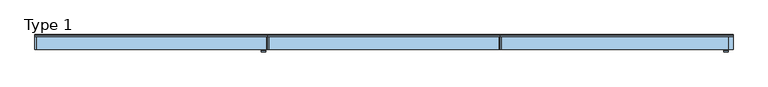
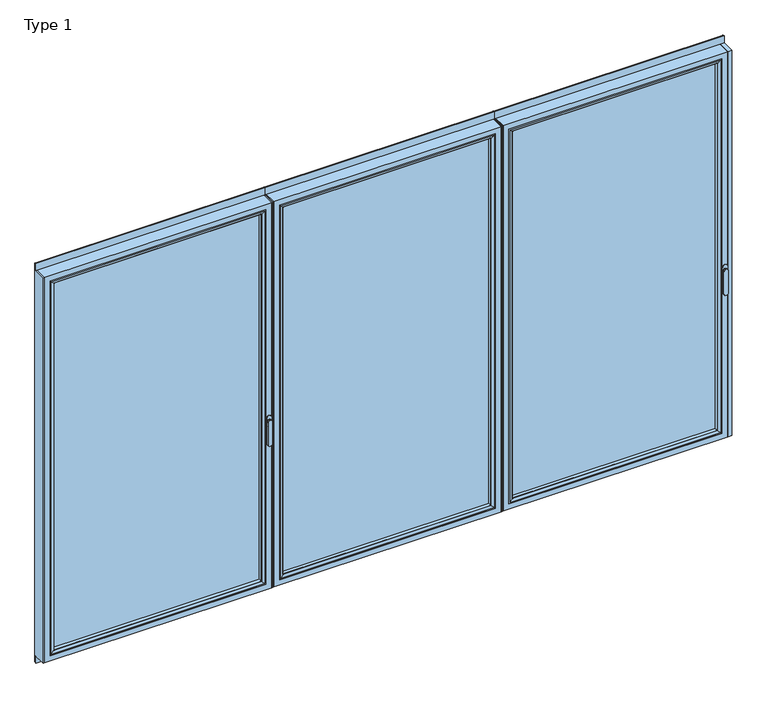
"""IFC4 building model written with IfcOpenShell, lengths in millimetres: window geometry, Type 1."""

from ifc_helpers import new_model, si_unit, point, frame, frame_2d, origin, place, context, project, spatial, polyline, circle_curve, ellipse_curve, trimmed, segment, composite_curve, outline, extrude, source, transform, mapped, element, save
from ifc_brep_helpers import plane_surface, cylinder_surface, extruded_surface, advanced_brep


def type_1_1b7ffbd1(model_context):
    return source(origin(), model_context, "Body", "SolidModel", [
        advanced_brep(
        [(1855.5113692, -63.5, 1050.0), (1879.4886308, -63.5, 1050.0), (1879.4886308, -66.8965533, 1050.0), (1855.5113692, -66.8965533, 1050.0), (1855.5113692, -74.5, 1050.0), (1855.5113692, -74.5, 918.6867153), (1879.4886308, -74.5, 918.6867153), (1879.4886308, -74.5, 1050.0), (1879.4886308, -66.8965533, 918.6867153), (1855.5113692, -66.8965533, 918.6867153)],
        [
            (0, 1, circle_curve(frame((1867.5, -63.5, 1050.0), z_axis=(0.0, 1.0, 0.0), x_axis=(1.0, 0.0, 0.0)), 11.9886308)),
            (1, 0, circle_curve(frame((1867.5, -63.5, 1050.0), z_axis=(0.0, 1.0, 0.0), x_axis=(1.0, 0.0, 0.0)), 11.9886308)),
            (1, 2),
            (2, 3, circle_curve(frame((1867.5, -66.8965533, 1050.0), z_axis=(0.0, 1.0, 0.0), x_axis=(1.0, 0.0, 0.0)), 11.9886308)),
            (3, 0),
            (3, 2, circle_curve(frame((1867.5, -66.8965533, 1050.0), z_axis=(0.0, 1.0, 0.0), x_axis=(1.0, 0.0, 0.0)), 11.9886308)),
            (4, 5),
            (5, 6, ellipse_curve(frame((1867.5, -74.5, 918.6867153), z_axis=(0.0, -1.0, 0.0), x_axis=(-1.0, 0.0, 0.0)), 11.9886308, 7.9050795)),
            (6, 7),
            (7, 4, circle_curve(frame((1867.5, -74.5, 1050.0), z_axis=(0.0, -1.0, 0.0), x_axis=(1.0, 0.0, 0.0)), 11.9886308)),
            (2, 8),
            (8, 9, ellipse_curve(frame((1867.5, -66.8965533, 918.6867153), z_axis=(0.0, 1.0, 0.0), x_axis=(-1.0, 0.0, 0.0)), 11.9886308, 7.9050795)),
            (9, 3),
            (4, 3),
            (9, 5),
            (8, 6),
            (2, 7),
        ],
        [
            plane_surface(frame((1879.4886308, -63.5, 1050.0), z_axis=(0.0, 1.0, 0.0), x_axis=(0.0, 0.0, -1.0))),
            cylinder_surface(frame((1867.5, -63.5, 1050.0), z_axis=(0.0, -1.0, 0.0), x_axis=(1.0, 0.0, 0.0)), 11.9886308),
            plane_surface(frame((1855.5113692, -74.5, 928.3382074), z_axis=(0.0, -1.0, 0.0), x_axis=(0.0, 0.0, -1.0))),
            plane_surface(frame((1855.5113692, -66.8965533, 928.3382074), z_axis=(0.0, 1.0, 0.0), x_axis=(0.0, 0.0, 1.0))),
            plane_surface(frame((1855.5113692, -74.5, 1050.0), z_axis=(-1.0, 0.0, 0.0), x_axis=(0.0, 1.0, 0.0))),
            extruded_surface(trimmed(ellipse_curve(frame((1867.5, -59.2931066, 918.6867153), z_axis=(0.0, -1.0, 0.0), x_axis=(-1.0, 0.0, 0.0)), 11.9886308, 7.9050795), [point((1855.5113692, -59.2931066, 918.6867153))], [point((1879.4886308, -59.2931066, 918.6867153))], True, "CARTESIAN"), (0.0, -7.603446699999992, 0.0), 7.603446699999992),
            plane_surface(frame((1879.4886308, -74.5, 918.6867153), z_axis=(1.0, 0.0, 0.0), x_axis=(0.0, 1.0, 0.0))),
            cylinder_surface(frame((1867.5, -66.8965533, 1050.0), z_axis=(0.0, -1.0, 0.0), x_axis=(1.0, 0.0, 0.0)), 11.9886308),
        ],
        [
            (0, [[1, 2]]),
            (1, [[-2, 3, 4, 5]]),
            (1, [[-1, -5, 6, -3]]),
            (2, [[7, 8, 9, 10]]),
            (3, [[11, 12, 13, -4]]),
            (4, [[-7, 14, -13, 15]]),
            (5, [[-8, -15, -12, 16]]),
            (6, [[-9, -16, -11, 17]]),
            (7, [[-10, -17, -6, -14]]),
        ],
    ),
        extrude(outline(composite_curve([segment(polyline([(1068.75, 1853.5), (1031.25, 1853.5)]), True, "CONTINUOUS"), segment(trimmed(circle_curve(frame_2d((1031.25, 1867.5)), 14.0), [point((1031.25, 1853.5))], [point((1031.25, 1881.5))], False, "CARTESIAN"), True, "CONTINUOUS"), segment(polyline([(1031.25, 1881.5), (1068.75, 1881.5)]), True, "CONTINUOUS"), segment(trimmed(circle_curve(frame_2d((1068.75, 1867.5)), 14.0), [point((1068.75, 1881.5))], [point((1068.75, 1853.5))], False, "CARTESIAN"), True, "CONTINUOUS")], self_intersect=False)), frame((0.0, -63.5, 0.0), z_axis=(0.0, 1.0, 0.0), x_axis=(0.0, 0.0, 1.0)), (0.0, 0.0, 1.0), 3.5),
        extrude(outline(polyline([(635.3333333, 20.0), (641.3333333, 20.0), (641.3333333, -60.0), (635.3333333, -60.0), (635.3333333, 20.0)])), frame((0.0, 0.0, 66.0), z_axis=(0.0, 0.0, 1.0), x_axis=(1.0, 0.0, 0.0)), (0.0, 0.0, 1.0), 2258.0),
        extrude(outline(polyline([(1906.0, 20.0), (1906.0, -60.0), (1883.5, -60.0), (1883.5, 20.0), (1906.0, 20.0)])), frame((0.0, 0.0, 66.0), z_axis=(0.0, 0.0, 1.0), x_axis=(1.0, 0.0, 0.0)), (0.0, 0.0, 1.0), 2258.0),
        advanced_brep(
        [(641.3333333, -60.0, 2324.0), (641.3333333, 20.0, 2324.0), (641.3333333, 20.0, 66.0), (641.3333333, -60.0, 66.0), (1883.5, 20.0, 66.0), (1883.5, -60.0, 66.0), (1883.5, 20.0, 2324.0), (1838.0003707, 20.0, 111.4996293), (1838.0003707, 20.0, 2278.5003707), (686.8329626, 20.0, 2278.5003707), (686.8329626, 20.0, 111.4996293), (1883.5, -60.0, 2324.0), (673.3333333, -60.0, 98.0), (673.3333333, -60.0, 2292.0), (1851.5, -60.0, 2292.0), (1851.5, -60.0, 98.0), (673.3333333, 3.9999997, 2292.0), (673.3333333, 3.9999997, 98.0), (1851.5, 3.9999997, 98.0), (1851.5, 3.9999997, 2292.0), (691.3333453, 3.9999997, 116.000012), (691.3333453, 3.9999997, 2273.999988), (1833.499988, 3.9999997, 2273.999988), (1833.499988, 3.9999997, 116.000012), (691.3333453, 15.4995565, 2273.999988), (691.3333453, 15.4995565, 116.000012), (1833.499988, 15.4995565, 116.000012), (1833.499988, 15.4995565, 2273.999988)],
        [
            (0, 1),
            (1, 2),
            (2, 3),
            (3, 0),
            (2, 4),
            (4, 5),
            (5, 3),
            (1, 6),
            (6, 4),
            (7, 8),
            (8, 9),
            (9, 10),
            (10, 7),
            (6, 11),
            (11, 5),
            (11, 0),
            (12, 13),
            (13, 14),
            (14, 15),
            (15, 12),
            (16, 13),
            (12, 17),
            (17, 16),
            (15, 18),
            (18, 17),
            (14, 19),
            (19, 18),
            (19, 16),
            (20, 21),
            (21, 22),
            (22, 23),
            (23, 20),
            (24, 21),
            (20, 25),
            (25, 24),
            (23, 26),
            (26, 25),
            (22, 27),
            (27, 26),
            (10, 25, ellipse_curve(frame((686.8329626, 15.4995565, 111.4996293), z_axis=(0.7071067811865475, 0.0, -0.7071067811865475), x_axis=(-0.7071067811865476, 0.0, -0.7071067811865474)), 6.3645023, 4.5003827)),
            (26, 7, ellipse_curve(frame((1838.0003707, 15.4995565, 111.4996293), z_axis=(-0.7071067811865475, 0.0, -0.7071067811865475), x_axis=(-0.7071067811865476, 0.0, 0.7071067811865474)), 6.3645023, 4.5003827)),
            (9, 24, ellipse_curve(frame((686.8329626, 15.4995565, 2278.5003707), z_axis=(-0.7071067811865475, 0.0, -0.7071067811865475), x_axis=(-0.7071067811865474, 0.0, 0.7071067811865476)), 6.3645023, 4.5003827)),
            (27, 8, ellipse_curve(frame((1838.0003707, 15.4995565, 2278.5003707), z_axis=(0.7071067811865475, 0.0, -0.7071067811865475), x_axis=(-0.7071067811865474, 0.0, -0.7071067811865476)), 6.3645023, 4.5003827)),
            (24, 27),
        ],
        [
            plane_surface(frame((641.3333333, 20.0, 2324.0), z_axis=(-1.0, 0.0, 0.0), x_axis=(0.0, 0.0, -1.0))),
            plane_surface(frame((641.3333333, 20.0, 66.0), z_axis=(0.0, 0.0, -1.0), x_axis=(1.0, 0.0, 0.0))),
            plane_surface(frame((686.8329626, 20.0, 2278.5003707), z_axis=(0.0, 1.0, 0.0), x_axis=(0.0, 0.0, -1.0))),
            plane_surface(frame((1883.5, 20.0, 66.0), z_axis=(1.0, 0.0, 0.0), x_axis=(0.0, 0.0, 1.0))),
            plane_surface(frame((641.3333333, -60.0, 2324.0), z_axis=(0.0, -1.0, 0.0), x_axis=(0.0, 0.0, -1.0))),
            plane_surface(frame((673.3333333, -60.0, 2292.0), z_axis=(1.0, 0.0, 0.0), x_axis=(0.0, 0.0, -1.0))),
            plane_surface(frame((673.3333333, -60.0, 98.0), z_axis=(0.0, 0.0, 1.0), x_axis=(1.0, 0.0, 0.0))),
            plane_surface(frame((1851.5, -60.0, 98.0), z_axis=(-1.0, 0.0, 0.0), x_axis=(0.0, 0.0, 1.0))),
            plane_surface(frame((673.3333333, 3.9999997, 2292.0), z_axis=(0.0, -1.0, 0.0), x_axis=(0.0, 0.0, -1.0))),
            plane_surface(frame((691.3333453, 3.9999997, 2273.999988), z_axis=(1.0, 0.0, 0.0), x_axis=(0.0, 0.0, -1.0))),
            plane_surface(frame((691.3333453, 3.9999997, 116.000012), z_axis=(0.0, 0.0, 1.0), x_axis=(1.0, 0.0, 0.0))),
            plane_surface(frame((1833.499988, 3.9999997, 116.000012), z_axis=(-1.0, 0.0, 0.0), x_axis=(0.0, 0.0, 1.0))),
            cylinder_surface(frame((635.3333333, 15.4995565, 111.4996293), z_axis=(-1.0, 0.0, 0.0), x_axis=(0.0, -1.0, 0.0)), 4.5003827),
            cylinder_surface(frame((686.8329626, 15.4995565, 2330.0), z_axis=(0.0, 0.0, 1.0), x_axis=(0.0, -1.0, 0.0)), 4.5003827),
            cylinder_surface(frame((1838.0003707, 15.4995565, 60.0), z_axis=(0.0, 0.0, -1.0), x_axis=(0.0, -1.0, 0.0)), 4.5003827),
            plane_surface(frame((1883.5, 20.0, 2324.0), z_axis=(0.0, 0.0, 1.0), x_axis=(-1.0, 0.0, 0.0))),
            plane_surface(frame((1851.5, -60.0, 2292.0), z_axis=(0.0, 0.0, -1.0), x_axis=(-1.0, 0.0, 0.0))),
            plane_surface(frame((1833.499988, 3.9999997, 2273.999988), z_axis=(0.0, 0.0, -1.0), x_axis=(-1.0, 0.0, 0.0))),
            cylinder_surface(frame((1889.5, 15.4995565, 2278.5003707), z_axis=(1.0, 0.0, 0.0), x_axis=(0.0, -1.0, 0.0)), 4.5003827),
        ],
        [
            (0, [[1, 2, 3, 4]]),
            (1, [[-3, 5, 6, 7]]),
            (2, [[-2, 8, 9, -5], [10, 11, 12, 13]]),
            (3, [[-6, -9, 14, 15]]),
            (4, [[-15, 16, -4, -7], [17, 18, 19, 20]]),
            (5, [[21, -17, 22, 23]]),
            (6, [[-22, -20, 24, 25]]),
            (7, [[-24, -19, 26, 27]]),
            (8, [[-27, 28, -23, -25], [29, 30, 31, 32]]),
            (9, [[33, -29, 34, 35]]),
            (10, [[-34, -32, 36, 37]]),
            (11, [[-36, -31, 38, 39]]),
            (12, [[40, -37, 41, -13]]),
            (13, [[42, -35, -40, -12]]),
            (14, [[-41, -39, 43, -10]]),
            (15, [[-14, -8, -1, -16]]),
            (16, [[-26, -18, -21, -28]]),
            (17, [[-38, -30, -33, 44]]),
            (18, [[-43, -44, -42, -11]]),
        ],
    ),
        extrude(outline(polyline([(673.3336505, 3.9999997), (1851.4996828, 3.9999997), (1851.4996828, -34.0000003), (673.3336505, -34.0000003), (673.3336505, 3.9999997)])), frame((0.0, 0.0, 98.0003172), z_axis=(0.0, 0.0, 1.0), x_axis=(1.0, 0.0, 0.0)), (0.0, 0.0, 1.0), 2193.9993657),
        advanced_brep(
        [(1829.5001101, -54.5552044, 2270.0001101), (1829.5001101, -34.0000003, 2270.0001101), (1829.5001101, -34.0000003, 119.9998899), (1829.5001101, -54.5552044, 119.9998899), (1851.4996828, -34.0000003, 2291.9996828), (1851.4996828, -34.0000003, 98.0003172), (673.3336505, -34.0000003, 98.0003172), (673.3336505, -34.0000003, 2291.9996828), (695.3332232, -34.0000003, 2270.0001101), (695.3332232, -34.0000003, 119.9998899), (695.3332232, -54.5552044, 119.9998899), (1830.2096535, -55.8045072, 2270.7096535), (1830.2096535, -55.8045072, 119.2903465), (694.6236798, -55.8045072, 119.2903465), (1845.4997439, -60.0, 2285.9997439), (1845.4997439, -60.0, 104.0002561), (679.3335894, -60.0, 104.0002561), (673.3336505, -60.0, 2291.9996828), (673.3336505, -60.0, 98.0003172), (1851.4996828, -60.0, 98.0003172), (1851.4996828, -60.0, 2291.9996828), (679.3335894, -60.0, 2285.9997439), (695.3332232, -54.5552044, 2270.0001101), (694.6236798, -55.8045072, 2270.7096535)],
        [
            (0, 1),
            (1, 2),
            (2, 3),
            (3, 0),
            (4, 5),
            (5, 6),
            (6, 7),
            (7, 4),
            (8, 9),
            (9, 2),
            (1, 8),
            (9, 10),
            (10, 3),
            (11, 0, ellipse_curve(frame((1830.9547141, -54.5552044, 2271.4547141), z_axis=(0.7071067811865475, 0.0, -0.7071067811865475), x_axis=(0.7071067811865474, 0.0, 0.7071067811865476)), 2.0571207, 1.454604)),
            (3, 12, ellipse_curve(frame((1830.9547141, -54.5552044, 118.5452859), z_axis=(0.7071067811865475, 0.0, 0.7071067811865475), x_axis=(-0.7071067811865474, 0.0, 0.7071067811865476)), 2.0571207, 1.454604)),
            (12, 11),
            (10, 13, ellipse_curve(frame((693.8786193, -54.5552044, 118.5452859), z_axis=(0.7071067811865475, 0.0, -0.7071067811865475), x_axis=(0.7071067811865476, 0.0, 0.7071067811865474)), 2.0571207, 1.454604)),
            (13, 12),
            (14, 11, ellipse_curve(frame((1845.4358083, -30.2735922, 2285.9358083), z_axis=(0.7071067811865475, 0.0, -0.7071067811865475), x_axis=(0.7071067811865474, 0.0, 0.7071067811865476)), 42.0395863, 29.7264765)),
            (12, 15, ellipse_curve(frame((1845.4358083, -30.2735922, 104.0641917), z_axis=(0.7071067811865475, 0.0, 0.7071067811865475), x_axis=(-0.7071067811865474, 0.0, 0.7071067811865476)), 42.0395863, 29.7264765)),
            (15, 14),
            (13, 16, ellipse_curve(frame((679.397525, -30.2735922, 104.0641917), z_axis=(0.7071067811865475, 0.0, -0.7071067811865475), x_axis=(0.7071067811865476, 0.0, 0.7071067811865474)), 42.0395863, 29.7264765)),
            (16, 15),
            (17, 18),
            (18, 19),
            (19, 20),
            (20, 17),
            (16, 21),
            (21, 14),
            (4, 20),
            (19, 5),
            (18, 6),
            (8, 22),
            (22, 10),
            (22, 23, ellipse_curve(frame((693.8786193, -54.5552044, 2271.4547141), z_axis=(-0.7071067811865475, 0.0, -0.7071067811865475), x_axis=(0.7071067811865474, 0.0, -0.7071067811865476)), 2.0571207, 1.454604)),
            (23, 13),
            (23, 21, ellipse_curve(frame((679.397525, -30.2735922, 2285.9358083), z_axis=(-0.7071067811865475, 0.0, -0.7071067811865475), x_axis=(0.7071067811865474, 0.0, -0.7071067811865476)), 42.0395863, 29.7264765)),
            (17, 7),
            (0, 22),
            (11, 23),
        ],
        [
            plane_surface(frame((1829.5001101, -34.0000003, 2270.0001101), z_axis=(-1.0, 0.0, 0.0), x_axis=(0.0, 0.0, -1.0))),
            plane_surface(frame((673.3336505, -34.0000003, 98.0003172), z_axis=(0.0, 1.0, 0.0), x_axis=(0.0, 0.0, 1.0))),
            plane_surface(frame((1829.5001101, -34.0000003, 119.9998899), z_axis=(0.0, 0.0, 1.0), x_axis=(-1.0, 0.0, 0.0))),
            cylinder_surface(frame((1830.9547141, -54.5552044, 2273.999988), z_axis=(0.0, 0.0, 1.0), x_axis=(1.0, 0.0, 0.0)), 1.454604),
            cylinder_surface(frame((1833.499988, -54.5552044, 118.5452859), z_axis=(1.0, 0.0, 0.0), x_axis=(0.0, 0.0, -1.0)), 1.454604),
            cylinder_surface(frame((1845.4358083, -30.2735922, 2273.999988), z_axis=(0.0, 0.0, 1.0), x_axis=(1.0, 0.0, 0.0)), 29.7264765),
            cylinder_surface(frame((1833.499988, -30.2735922, 104.0641917), z_axis=(1.0, 0.0, 0.0), x_axis=(0.0, 0.0, -1.0)), 29.7264765),
            plane_surface(frame((679.3335894, -60.0, 104.0002561), z_axis=(0.0, -1.0, 0.0), x_axis=(0.0, 0.0, 1.0))),
            plane_surface(frame((1851.4996828, -60.0, 2291.9996828), z_axis=(1.0, 0.0, 0.0), x_axis=(0.0, 0.0, -1.0))),
            plane_surface(frame((1851.4996828, -60.0, 98.0003172), z_axis=(0.0, 0.0, -1.0), x_axis=(-1.0, 0.0, 0.0))),
            plane_surface(frame((695.3332232, -34.0000003, 119.9998899), z_axis=(1.0, 0.0, 0.0), x_axis=(0.0, 0.0, 1.0))),
            cylinder_surface(frame((693.8786193, -54.5552044, 116.000012), z_axis=(0.0, 0.0, -1.0), x_axis=(-1.0, 0.0, 0.0)), 1.454604),
            cylinder_surface(frame((679.397525, -30.2735922, 116.000012), z_axis=(0.0, 0.0, -1.0), x_axis=(-1.0, 0.0, 0.0)), 29.7264765),
            plane_surface(frame((673.3336505, -60.0, 98.0003172), z_axis=(-1.0, 0.0, 0.0), x_axis=(0.0, 0.0, 1.0))),
            plane_surface(frame((695.3332232, -34.0000003, 2270.0001101), z_axis=(0.0, 0.0, -1.0), x_axis=(1.0, 0.0, 0.0))),
            cylinder_surface(frame((691.3333453, -54.5552044, 2271.4547141), z_axis=(-1.0, 0.0, 0.0), x_axis=(0.0, 0.0, 1.0)), 1.454604),
            cylinder_surface(frame((691.3333453, -30.2735922, 2285.9358083), z_axis=(-1.0, 0.0, 0.0), x_axis=(0.0, 0.0, 1.0)), 29.7264765),
            plane_surface(frame((673.3336505, -60.0, 2291.9996828), z_axis=(0.0, 0.0, 1.0), x_axis=(1.0, 0.0, 0.0))),
        ],
        [
            (0, [[1, 2, 3, 4]]),
            (1, [[5, 6, 7, 8], [9, 10, -2, 11]]),
            (2, [[-3, -10, 12, 13]]),
            (3, [[14, -4, 15, 16]]),
            (4, [[-15, -13, 17, 18]]),
            (5, [[19, -16, 20, 21]]),
            (6, [[-20, -18, 22, 23]]),
            (7, [[24, 25, 26, 27], [-21, -23, 28, 29]]),
            (8, [[30, -26, 31, -5]]),
            (9, [[-31, -25, 32, -6]]),
            (10, [[-12, -9, 33, 34]]),
            (11, [[-17, -34, 35, 36]]),
            (12, [[-22, -36, 37, -28]]),
            (13, [[-32, -24, 38, -7]]),
            (14, [[-33, -11, -1, 39]]),
            (15, [[-35, -39, -14, 40]]),
            (16, [[-37, -40, -19, -29]]),
            (17, [[-38, -27, -30, -8]]),
        ],
    ),
        extrude(outline(composite_curve([segment(polyline([(20.0, 2362.5), (20.0, 2324.0), (10.0, 2324.0), (10.0, 2365.0), (17.5, 2365.0)]), True, "CONTINUOUS"), segment(trimmed(circle_curve(frame_2d((17.5, 2362.5)), 2.5), [point((17.5, 2365.0))], [point((20.0, 2362.5))], False, "CARTESIAN"), True, "CONTINUOUS")], self_intersect=False)), frame((635.3333333, 0.0, 0.0), z_axis=(1.0, 0.0, 0.0), x_axis=(0.0, 1.0, 0.0)), (0.0, 0.0, 1.0), 1270.6666667),
        extrude(outline(composite_curve([segment(trimmed(circle_curve(frame_2d((17.5, 27.5)), 2.5), [point((20.0, 27.5))], [point((17.5, 25.0))], False, "CARTESIAN"), True, "CONTINUOUS"), segment(polyline([(17.5, 25.0), (10.0, 25.0), (10.0, 66.0), (20.0, 66.0), (20.0, 27.5)]), True, "CONTINUOUS")], self_intersect=False)), frame((635.3333333, 0.0, 0.0), z_axis=(1.0, 0.0, 0.0), x_axis=(0.0, 1.0, 0.0)), (0.0, 0.0, 1.0), 1270.6666667),
        extrude(outline(polyline([(635.3333333, 20.0), (635.3333333, -60.0), (629.3333333, -60.0), (629.3333333, 20.0), (635.3333333, 20.0)])), frame((0.0, 0.0, 66.0), z_axis=(0.0, 0.0, 1.0), x_axis=(1.0, 0.0, 0.0)), (0.0, 0.0, 1.0), 2258.0),
        extrude(outline(polyline([(-635.3333333, 20.0), (-629.3333333, 20.0), (-629.3333333, -60.0), (-635.3333333, -60.0), (-635.3333333, 20.0)])), frame((0.0, 0.0, 66.0), z_axis=(0.0, 0.0, 1.0), x_axis=(1.0, 0.0, 0.0)), (0.0, 0.0, 1.0), 2258.0),
        advanced_brep(
        [(629.3333333, -60.0, 2324.0), (629.3333333, -60.0, 66.0), (629.3333333, 20.0, 66.0), (629.3333333, 20.0, 2324.0), (-629.3333333, -60.0, 66.0), (-629.3333333, 20.0, 66.0), (-629.3333333, 20.0, 2324.0), (-583.8337041, 20.0, 111.4996293), (583.8337041, 20.0, 111.4996293), (583.8337041, 20.0, 2278.5003707), (-583.8337041, 20.0, 2278.5003707), (-629.3333333, -60.0, 2324.0), (597.3333333, -60.0, 98.0), (-597.3333333, -60.0, 98.0), (-597.3333333, -60.0, 2292.0), (597.3333333, -60.0, 2292.0), (597.3333333, 3.9999997, 2292.0), (597.3333333, 3.9999997, 98.0), (-597.3333333, 3.9999997, 98.0), (-597.3333333, 3.9999997, 2292.0), (579.3333214, 3.9999997, 116.000012), (-579.3333214, 3.9999997, 116.000012), (-579.3333214, 3.9999997, 2273.999988), (579.3333214, 3.9999997, 2273.999988), (579.3333214, 15.4995565, 2273.999988), (579.3333214, 15.4995565, 116.000012), (-579.3333214, 15.4995565, 116.000012), (-579.3333214, 15.4995565, 2273.999988)],
        [
            (0, 1),
            (1, 2),
            (2, 3),
            (3, 0),
            (1, 4),
            (4, 5),
            (5, 2),
            (5, 6),
            (6, 3),
            (7, 8),
            (8, 9),
            (9, 10),
            (10, 7),
            (4, 11),
            (11, 6),
            (0, 11),
            (12, 13),
            (13, 14),
            (14, 15),
            (15, 12),
            (16, 17),
            (17, 12),
            (15, 16),
            (17, 18),
            (18, 13),
            (18, 19),
            (19, 14),
            (16, 19),
            (20, 21),
            (21, 22),
            (22, 23),
            (23, 20),
            (24, 25),
            (25, 20),
            (23, 24),
            (25, 26),
            (26, 21),
            (26, 27),
            (27, 22),
            (7, 26, ellipse_curve(frame((-583.8337041, 15.4995565, 111.4996293), z_axis=(0.7071067811865475, 0.0, -0.7071067811865475), x_axis=(0.7071067811865476, 0.0, 0.7071067811865474)), 6.3645023, 4.5003827)),
            (25, 8, ellipse_curve(frame((583.8337041, 15.4995565, 111.4996293), z_axis=(-0.7071067811865475, 0.0, -0.7071067811865475), x_axis=(0.7071067811865476, 0.0, -0.7071067811865474)), 6.3645023, 4.5003827)),
            (24, 9, ellipse_curve(frame((583.8337041, 15.4995565, 2278.5003707), z_axis=(0.7071067811865475, 0.0, -0.7071067811865475), x_axis=(0.7071067811865474, 0.0, 0.7071067811865476)), 6.3645023, 4.5003827)),
            (10, 27, ellipse_curve(frame((-583.8337041, 15.4995565, 2278.5003707), z_axis=(-0.7071067811865475, 0.0, -0.7071067811865475), x_axis=(0.7071067811865474, 0.0, -0.7071067811865476)), 6.3645023, 4.5003827)),
            (27, 24),
        ],
        [
            plane_surface(frame((629.3333333, 20.0, 2324.0), z_axis=(1.0, 0.0, 0.0), x_axis=(0.0, 0.0, -1.0))),
            plane_surface(frame((629.3333333, 20.0, 66.0), z_axis=(0.0, 0.0, -1.0), x_axis=(-1.0, 0.0, 0.0))),
            plane_surface(frame((583.8337041, 20.0, 2278.5003707), z_axis=(0.0, 1.0, 0.0), x_axis=(0.0, 0.0, -1.0))),
            plane_surface(frame((-629.3333333, 20.0, 66.0), z_axis=(-1.0, 0.0, 0.0), x_axis=(0.0, 0.0, 1.0))),
            plane_surface(frame((629.3333333, -60.0, 2324.0), z_axis=(0.0, -1.0, 0.0), x_axis=(0.0, 0.0, -1.0))),
            plane_surface(frame((597.3333333, -60.0, 2292.0), z_axis=(-1.0, 0.0, 0.0), x_axis=(0.0, 0.0, -1.0))),
            plane_surface(frame((597.3333333, -60.0, 98.0), z_axis=(0.0, 0.0, 1.0), x_axis=(-1.0, 0.0, 0.0))),
            plane_surface(frame((-597.3333333, -60.0, 98.0), z_axis=(1.0, 0.0, 0.0), x_axis=(0.0, 0.0, 1.0))),
            plane_surface(frame((597.3333333, 3.9999997, 2292.0), z_axis=(0.0, -1.0, 0.0), x_axis=(0.0, 0.0, -1.0))),
            plane_surface(frame((579.3333214, 3.9999997, 2273.999988), z_axis=(-1.0, 0.0, 0.0), x_axis=(0.0, 0.0, -1.0))),
            plane_surface(frame((579.3333214, 3.9999997, 116.000012), z_axis=(0.0, 0.0, 1.0), x_axis=(-1.0, 0.0, 0.0))),
            plane_surface(frame((-579.3333214, 3.9999997, 116.000012), z_axis=(1.0, 0.0, 0.0), x_axis=(0.0, 0.0, 1.0))),
            cylinder_surface(frame((635.3333333, 15.4995565, 111.4996293), z_axis=(1.0, 0.0, 0.0), x_axis=(0.0, -1.0, 0.0)), 4.5003827),
            cylinder_surface(frame((583.8337041, 15.4995565, 2330.0), z_axis=(0.0, 0.0, 1.0), x_axis=(0.0, -1.0, 0.0)), 4.5003827),
            cylinder_surface(frame((-583.8337041, 15.4995565, 60.0), z_axis=(0.0, 0.0, -1.0), x_axis=(0.0, -1.0, 0.0)), 4.5003827),
            plane_surface(frame((-629.3333333, 20.0, 2324.0), z_axis=(0.0, 0.0, 1.0), x_axis=(1.0, 0.0, 0.0))),
            plane_surface(frame((-597.3333333, -60.0, 2292.0), z_axis=(0.0, 0.0, -1.0), x_axis=(1.0, 0.0, 0.0))),
            plane_surface(frame((-579.3333214, 3.9999997, 2273.999988), z_axis=(0.0, 0.0, -1.0), x_axis=(1.0, 0.0, 0.0))),
            cylinder_surface(frame((-635.3333333, 15.4995565, 2278.5003707), z_axis=(-1.0, 0.0, 0.0), x_axis=(0.0, -1.0, 0.0)), 4.5003827),
        ],
        [
            (0, [[1, 2, 3, 4]]),
            (1, [[5, 6, 7, -2]]),
            (2, [[-7, 8, 9, -3], [10, 11, 12, 13]]),
            (3, [[14, 15, -8, -6]]),
            (4, [[-5, -1, 16, -14], [17, 18, 19, 20]]),
            (5, [[21, 22, -20, 23]]),
            (6, [[24, 25, -17, -22]]),
            (7, [[26, 27, -18, -25]]),
            (8, [[-24, -21, 28, -26], [29, 30, 31, 32]]),
            (9, [[33, 34, -32, 35]]),
            (10, [[36, 37, -29, -34]]),
            (11, [[38, 39, -30, -37]]),
            (12, [[-10, 40, -36, 41]]),
            (13, [[-11, -41, -33, 42]]),
            (14, [[-13, 43, -38, -40]]),
            (15, [[-16, -4, -9, -15]]),
            (16, [[-28, -23, -19, -27]]),
            (17, [[44, -35, -31, -39]]),
            (18, [[-12, -42, -44, -43]]),
        ],
    ),
        extrude(outline(polyline([(597.3330162, 3.9999997), (597.3330162, -34.0000003), (-597.3330162, -34.0000003), (-597.3330162, 3.9999997), (597.3330162, 3.9999997)])), frame((0.0, 0.0, 98.0003172), z_axis=(0.0, 0.0, 1.0), x_axis=(1.0, 0.0, 0.0)), (0.0, 0.0, 1.0), 2193.9993657),
        advanced_brep(
        [(-575.3334434, -54.5552044, 2270.0001101), (-575.3334434, -54.5552044, 119.9998899), (-575.3334434, -34.0000003, 119.9998899), (-575.3334434, -34.0000003, 2270.0001101), (-597.3330162, -34.0000003, 2291.9996828), (597.3330162, -34.0000003, 2291.9996828), (597.3330162, -34.0000003, 98.0003172), (-597.3330162, -34.0000003, 98.0003172), (575.3334434, -34.0000003, 2270.0001101), (575.3334434, -34.0000003, 119.9998899), (575.3334434, -54.5552044, 119.9998899), (-576.0429868, -55.8045072, 2270.7096535), (-576.0429868, -55.8045072, 119.2903465), (576.0429868, -55.8045072, 119.2903465), (-591.3330772, -60.0, 2285.9997439), (-591.3330772, -60.0, 104.0002561), (591.3330772, -60.0, 104.0002561), (597.3330162, -60.0, 2291.9996828), (-597.3330162, -60.0, 2291.9996828), (-597.3330162, -60.0, 98.0003172), (597.3330162, -60.0, 98.0003172), (591.3330772, -60.0, 2285.9997439), (575.3334434, -54.5552044, 2270.0001101), (576.0429868, -55.8045072, 2270.7096535)],
        [
            (0, 1),
            (1, 2),
            (2, 3),
            (3, 0),
            (4, 5),
            (5, 6),
            (6, 7),
            (7, 4),
            (8, 3),
            (2, 9),
            (9, 8),
            (1, 10),
            (10, 9),
            (11, 12),
            (12, 1, ellipse_curve(frame((-576.7880474, -54.5552044, 118.5452859), z_axis=(-0.7071067811865475, 0.0, 0.7071067811865475), x_axis=(0.7071067811865474, 0.0, 0.7071067811865476)), 2.0571207, 1.454604)),
            (0, 11, ellipse_curve(frame((-576.7880474, -54.5552044, 2271.4547141), z_axis=(-0.7071067811865475, 0.0, -0.7071067811865475), x_axis=(-0.7071067811865474, 0.0, 0.7071067811865476)), 2.0571207, 1.454604)),
            (12, 13),
            (13, 10, ellipse_curve(frame((576.7880474, -54.5552044, 118.5452859), z_axis=(-0.7071067811865475, 0.0, -0.7071067811865475), x_axis=(-0.7071067811865476, 0.0, 0.7071067811865474)), 2.0571207, 1.454604)),
            (14, 15),
            (15, 12, ellipse_curve(frame((-591.2691416, -30.2735922, 104.0641917), z_axis=(-0.7071067811865475, 0.0, 0.7071067811865475), x_axis=(0.7071067811865474, 0.0, 0.7071067811865476)), 42.0395863, 29.7264765)),
            (11, 14, ellipse_curve(frame((-591.2691416, -30.2735922, 2285.9358083), z_axis=(-0.7071067811865475, 0.0, -0.7071067811865475), x_axis=(-0.7071067811865474, 0.0, 0.7071067811865476)), 42.0395863, 29.7264765)),
            (15, 16),
            (16, 13, ellipse_curve(frame((591.2691416, -30.2735922, 104.0641917), z_axis=(-0.7071067811865475, 0.0, -0.7071067811865475), x_axis=(-0.7071067811865476, 0.0, 0.7071067811865474)), 42.0395863, 29.7264765)),
            (17, 18),
            (18, 19),
            (19, 20),
            (20, 17),
            (14, 21),
            (21, 16),
            (7, 19),
            (18, 4),
            (6, 20),
            (10, 22),
            (22, 8),
            (13, 23),
            (23, 22, ellipse_curve(frame((576.7880474, -54.5552044, 2271.4547141), z_axis=(0.7071067811865475, 0.0, -0.7071067811865475), x_axis=(-0.7071067811865474, 0.0, -0.7071067811865476)), 2.0571207, 1.454604)),
            (21, 23, ellipse_curve(frame((591.2691416, -30.2735922, 2285.9358083), z_axis=(0.7071067811865475, 0.0, -0.7071067811865475), x_axis=(-0.7071067811865474, 0.0, -0.7071067811865476)), 42.0395863, 29.7264765)),
            (5, 17),
            (22, 0),
            (23, 11),
        ],
        [
            plane_surface(frame((-575.3334434, -34.0000003, 2270.0001101), z_axis=(1.0, 0.0, 0.0), x_axis=(0.0, 0.0, -1.0))),
            plane_surface(frame((597.3330162, -34.0000003, 98.0003172), z_axis=(0.0, 1.0, 0.0), x_axis=(0.0, 0.0, 1.0))),
            plane_surface(frame((-575.3334434, -34.0000003, 119.9998899), z_axis=(0.0, 0.0, 1.0), x_axis=(1.0, 0.0, 0.0))),
            cylinder_surface(frame((-576.7880474, -54.5552044, 2273.999988), z_axis=(0.0, 0.0, 1.0), x_axis=(-1.0, 0.0, 0.0)), 1.454604),
            cylinder_surface(frame((-579.3333214, -54.5552044, 118.5452859), z_axis=(-1.0, 0.0, 0.0), x_axis=(0.0, 0.0, -1.0)), 1.454604),
            cylinder_surface(frame((-591.2691416, -30.2735922, 2273.999988), z_axis=(0.0, 0.0, 1.0), x_axis=(-1.0, 0.0, 0.0)), 29.7264765),
            cylinder_surface(frame((-579.3333214, -30.2735922, 104.0641917), z_axis=(-1.0, 0.0, 0.0), x_axis=(0.0, 0.0, -1.0)), 29.7264765),
            plane_surface(frame((591.3330772, -60.0, 104.0002561), z_axis=(0.0, -1.0, 0.0), x_axis=(0.0, 0.0, 1.0))),
            plane_surface(frame((-597.3330162, -60.0, 2291.9996828), z_axis=(-1.0, 0.0, 0.0), x_axis=(0.0, 0.0, -1.0))),
            plane_surface(frame((-597.3330162, -60.0, 98.0003172), z_axis=(0.0, 0.0, -1.0), x_axis=(1.0, 0.0, 0.0))),
            plane_surface(frame((575.3334434, -34.0000003, 119.9998899), z_axis=(-1.0, 0.0, 0.0), x_axis=(0.0, 0.0, 1.0))),
            cylinder_surface(frame((576.7880474, -54.5552044, 116.000012), z_axis=(0.0, 0.0, -1.0), x_axis=(1.0, 0.0, 0.0)), 1.454604),
            cylinder_surface(frame((591.2691416, -30.2735922, 116.000012), z_axis=(0.0, 0.0, -1.0), x_axis=(1.0, 0.0, 0.0)), 29.7264765),
            plane_surface(frame((597.3330162, -60.0, 98.0003172), z_axis=(1.0, 0.0, 0.0), x_axis=(0.0, 0.0, 1.0))),
            plane_surface(frame((575.3334434, -34.0000003, 2270.0001101), z_axis=(0.0, 0.0, -1.0), x_axis=(-1.0, 0.0, 0.0))),
            cylinder_surface(frame((579.3333214, -54.5552044, 2271.4547141), z_axis=(1.0, 0.0, 0.0), x_axis=(0.0, 0.0, 1.0)), 1.454604),
            cylinder_surface(frame((579.3333214, -30.2735922, 2285.9358083), z_axis=(1.0, 0.0, 0.0), x_axis=(0.0, 0.0, 1.0)), 29.7264765),
            plane_surface(frame((597.3330162, -60.0, 2291.9996828), z_axis=(0.0, 0.0, 1.0), x_axis=(-1.0, 0.0, 0.0))),
        ],
        [
            (0, [[1, 2, 3, 4]]),
            (1, [[5, 6, 7, 8], [9, -3, 10, 11]]),
            (2, [[12, 13, -10, -2]]),
            (3, [[14, 15, -1, 16]]),
            (4, [[17, 18, -12, -15]]),
            (5, [[19, 20, -14, 21]]),
            (6, [[22, 23, -17, -20]]),
            (7, [[24, 25, 26, 27], [28, 29, -22, -19]]),
            (8, [[-8, 30, -25, 31]]),
            (9, [[-7, 32, -26, -30]]),
            (10, [[33, 34, -11, -13]]),
            (11, [[35, 36, -33, -18]]),
            (12, [[-29, 37, -35, -23]]),
            (13, [[-6, 38, -27, -32]]),
            (14, [[39, -4, -9, -34]]),
            (15, [[40, -16, -39, -36]]),
            (16, [[-28, -21, -40, -37]]),
            (17, [[-5, -31, -24, -38]]),
        ],
    ),
        extrude(outline(composite_curve([segment(polyline([(20.0, 2362.5), (20.0, 2324.0), (10.0, 2324.0), (10.0, 2365.0), (17.5, 2365.0)]), True, "CONTINUOUS"), segment(trimmed(circle_curve(frame_2d((17.5, 2362.5)), 2.5), [point((17.5, 2365.0))], [point((20.0, 2362.5))], False, "CARTESIAN"), True, "CONTINUOUS")], self_intersect=False)), frame((-635.3333333, 0.0, 0.0), z_axis=(1.0, 0.0, 0.0), x_axis=(0.0, 1.0, 0.0)), (0.0, 0.0, 1.0), 1270.6666667),
        extrude(outline(composite_curve([segment(trimmed(circle_curve(frame_2d((17.5, 27.5)), 2.5), [point((20.0, 27.5))], [point((17.5, 25.0))], False, "CARTESIAN"), True, "CONTINUOUS"), segment(polyline([(17.5, 25.0), (10.0, 25.0), (10.0, 66.0), (20.0, 66.0), (20.0, 27.5)]), True, "CONTINUOUS")], self_intersect=False)), frame((-635.3333333, 0.0, 0.0), z_axis=(1.0, 0.0, 0.0), x_axis=(0.0, 1.0, 0.0)), (0.0, 0.0, 1.0), 1270.6666667),
        advanced_brep(
        [(-669.3219641, -63.5, 1050.0), (-645.3447025, -63.5, 1050.0), (-645.3447025, -66.8965533, 1050.0), (-669.3219641, -66.8965533, 1050.0), (-669.3219641, -74.5, 1050.0), (-669.3219641, -74.5, 918.6867153), (-645.3447025, -74.5, 918.6867153), (-645.3447025, -74.5, 1050.0), (-645.3447025, -66.8965533, 918.6867153), (-669.3219641, -66.8965533, 918.6867153)],
        [
            (0, 1, circle_curve(frame((-657.3333333, -63.5, 1050.0), z_axis=(0.0, 1.0, 0.0), x_axis=(1.0, 0.0, 0.0)), 11.9886308)),
            (1, 0, circle_curve(frame((-657.3333333, -63.5, 1050.0), z_axis=(0.0, 1.0, 0.0), x_axis=(1.0, 0.0, 0.0)), 11.9886308)),
            (1, 2),
            (2, 3, circle_curve(frame((-657.3333333, -66.8965533, 1050.0), z_axis=(0.0, 1.0, 0.0), x_axis=(1.0, 0.0, 0.0)), 11.9886308)),
            (3, 0),
            (3, 2, circle_curve(frame((-657.3333333, -66.8965533, 1050.0), z_axis=(0.0, 1.0, 0.0), x_axis=(1.0, 0.0, 0.0)), 11.9886308)),
            (4, 5),
            (5, 6, ellipse_curve(frame((-657.3333333, -74.5, 918.6867153), z_axis=(0.0, -1.0, 0.0), x_axis=(-1.0, 0.0, 0.0)), 11.9886308, 7.9050795)),
            (6, 7),
            (7, 4, circle_curve(frame((-657.3333333, -74.5, 1050.0), z_axis=(0.0, -1.0, 0.0), x_axis=(1.0, 0.0, 0.0)), 11.9886308)),
            (2, 8),
            (8, 9, ellipse_curve(frame((-657.3333333, -66.8965533, 918.6867153), z_axis=(0.0, 1.0, 0.0), x_axis=(-1.0, 0.0, 0.0)), 11.9886308, 7.9050795)),
            (9, 3),
            (4, 3),
            (9, 5),
            (8, 6),
            (2, 7),
        ],
        [
            plane_surface(frame((-645.3447025, -63.5, 1050.0), z_axis=(0.0, 1.0, 0.0), x_axis=(0.0, 0.0, -1.0))),
            cylinder_surface(frame((-657.3333333, -63.5, 1050.0), z_axis=(0.0, -1.0, 0.0), x_axis=(1.0, 0.0, 0.0)), 11.9886308),
            plane_surface(frame((-669.3219641, -74.5, 928.3382074), z_axis=(0.0, -1.0, 0.0), x_axis=(0.0, 0.0, -1.0))),
            plane_surface(frame((-669.3219641, -66.8965533, 928.3382074), z_axis=(0.0, 1.0, 0.0), x_axis=(0.0, 0.0, 1.0))),
            plane_surface(frame((-669.3219641, -74.5, 1050.0), z_axis=(-1.0, 0.0, 0.0), x_axis=(0.0, 1.0, 0.0))),
            extruded_surface(trimmed(ellipse_curve(frame((-657.3333333, -59.2931066, 918.6867153), z_axis=(0.0, -1.0, 0.0), x_axis=(-1.0, 0.0, 0.0)), 11.9886308, 7.9050795), [point((-669.3219641, -59.2931066, 918.6867153))], [point((-645.3447025, -59.2931066, 918.6867153))], True, "CARTESIAN"), (0.0, -7.603446699999992, 0.0), 7.603446699999992),
            plane_surface(frame((-645.3447025, -74.5, 918.6867153), z_axis=(1.0, 0.0, 0.0), x_axis=(0.0, 1.0, 0.0))),
            cylinder_surface(frame((-657.3333333, -66.8965533, 1050.0), z_axis=(0.0, -1.0, 0.0), x_axis=(1.0, 0.0, 0.0)), 11.9886308),
        ],
        [
            (0, [[1, 2]]),
            (1, [[-2, 3, 4, 5]]),
            (1, [[-1, -5, 6, -3]]),
            (2, [[7, 8, 9, 10]]),
            (3, [[11, 12, 13, -4]]),
            (4, [[-7, 14, -13, 15]]),
            (5, [[-8, -15, -12, 16]]),
            (6, [[-9, -16, -11, 17]]),
            (7, [[-10, -17, -6, -14]]),
        ],
    ),
        extrude(outline(composite_curve([segment(polyline([(1068.75, -671.3333333), (1031.25, -671.3333333)]), True, "CONTINUOUS"), segment(trimmed(circle_curve(frame_2d((1031.25, -657.3333333)), 14.0), [point((1031.25, -671.3333333))], [point((1031.25, -643.3333333))], False, "CARTESIAN"), True, "CONTINUOUS"), segment(polyline([(1031.25, -643.3333333), (1068.75, -643.3333333)]), True, "CONTINUOUS"), segment(trimmed(circle_curve(frame_2d((1068.75, -657.3333333)), 14.0), [point((1068.75, -643.3333333))], [point((1068.75, -671.3333333))], False, "CARTESIAN"), True, "CONTINUOUS")], self_intersect=False)), frame((0.0, -63.5, 0.0), z_axis=(0.0, 1.0, 0.0), x_axis=(0.0, 0.0, 1.0)), (0.0, 0.0, 1.0), 3.5),
        extrude(outline(polyline([(-1906.0, 20.0), (-1900.0, 20.0), (-1900.0, -60.0), (-1906.0, -60.0), (-1906.0, 20.0)])), frame((0.0, 0.0, 66.0), z_axis=(0.0, 0.0, 1.0), x_axis=(1.0, 0.0, 0.0)), (0.0, 0.0, 1.0), 2258.0),
        extrude(outline(polyline([(-635.3333333, 20.0), (-635.3333333, -60.0), (-641.3333333, -60.0), (-641.3333333, 20.0), (-635.3333333, 20.0)])), frame((0.0, 0.0, 66.0), z_axis=(0.0, 0.0, 1.0), x_axis=(1.0, 0.0, 0.0)), (0.0, 0.0, 1.0), 2258.0),
        advanced_brep(
        [(-1900.0, -60.0, 2324.0), (-1900.0, 20.0, 2324.0), (-1900.0, 20.0, 66.0), (-1900.0, -60.0, 66.0), (-641.3333333, 20.0, 66.0), (-641.3333333, -60.0, 66.0), (-641.3333333, 20.0, 2324.0), (-686.8329626, 20.0, 111.4996293), (-686.8329626, 20.0, 2278.5003707), (-1854.5003707, 20.0, 2278.5003707), (-1854.5003707, 20.0, 111.4996293), (-641.3333333, -60.0, 2324.0), (-1868.0, -60.0, 98.0), (-1868.0, -60.0, 2292.0), (-673.3333333, -60.0, 2292.0), (-673.3333333, -60.0, 98.0), (-1868.0, 3.9999997, 2292.0), (-1868.0, 3.9999997, 98.0), (-673.3333333, 3.9999997, 98.0), (-673.3333333, 3.9999997, 2292.0), (-1849.999988, 3.9999997, 116.000012), (-1849.999988, 3.9999997, 2273.999988), (-691.3333453, 3.9999997, 2273.999988), (-691.3333453, 3.9999997, 116.000012), (-1849.999988, 15.4995565, 2273.999988), (-1849.999988, 15.4995565, 116.000012), (-691.3333453, 15.4995565, 116.000012), (-691.3333453, 15.4995565, 2273.999988)],
        [
            (0, 1),
            (1, 2),
            (2, 3),
            (3, 0),
            (2, 4),
            (4, 5),
            (5, 3),
            (1, 6),
            (6, 4),
            (7, 8),
            (8, 9),
            (9, 10),
            (10, 7),
            (6, 11),
            (11, 5),
            (11, 0),
            (12, 13),
            (13, 14),
            (14, 15),
            (15, 12),
            (16, 13),
            (12, 17),
            (17, 16),
            (15, 18),
            (18, 17),
            (14, 19),
            (19, 18),
            (19, 16),
            (20, 21),
            (21, 22),
            (22, 23),
            (23, 20),
            (24, 21),
            (20, 25),
            (25, 24),
            (23, 26),
            (26, 25),
            (22, 27),
            (27, 26),
            (10, 25, ellipse_curve(frame((-1854.5003707, 15.4995565, 111.4996293), z_axis=(0.7071067811865475, 0.0, -0.7071067811865475), x_axis=(-0.7071067811865476, 0.0, -0.7071067811865474)), 6.3645023, 4.5003827)),
            (26, 7, ellipse_curve(frame((-686.8329626, 15.4995565, 111.4996293), z_axis=(-0.7071067811865475, 0.0, -0.7071067811865475), x_axis=(-0.7071067811865476, 0.0, 0.7071067811865474)), 6.3645023, 4.5003827)),
            (9, 24, ellipse_curve(frame((-1854.5003707, 15.4995565, 2278.5003707), z_axis=(-0.7071067811865475, 0.0, -0.7071067811865475), x_axis=(-0.7071067811865474, 0.0, 0.7071067811865476)), 6.3645023, 4.5003827)),
            (27, 8, ellipse_curve(frame((-686.8329626, 15.4995565, 2278.5003707), z_axis=(0.7071067811865475, 0.0, -0.7071067811865475), x_axis=(-0.7071067811865474, 0.0, -0.7071067811865476)), 6.3645023, 4.5003827)),
            (24, 27),
        ],
        [
            plane_surface(frame((-1900.0, 20.0, 2324.0), z_axis=(-1.0, 0.0, 0.0), x_axis=(0.0, 0.0, -1.0))),
            plane_surface(frame((-1900.0, 20.0, 66.0), z_axis=(0.0, 0.0, -1.0), x_axis=(1.0, 0.0, 0.0))),
            plane_surface(frame((-1854.5003707, 20.0, 2278.5003707), z_axis=(0.0, 1.0, 0.0), x_axis=(0.0, 0.0, -1.0))),
            plane_surface(frame((-641.3333333, 20.0, 66.0), z_axis=(1.0, 0.0, 0.0), x_axis=(0.0, 0.0, 1.0))),
            plane_surface(frame((-1900.0, -60.0, 2324.0), z_axis=(0.0, -1.0, 0.0), x_axis=(0.0, 0.0, -1.0))),
            plane_surface(frame((-1868.0, -60.0, 2292.0), z_axis=(1.0, 0.0, 0.0), x_axis=(0.0, 0.0, -1.0))),
            plane_surface(frame((-1868.0, -60.0, 98.0), z_axis=(0.0, 0.0, 1.0), x_axis=(1.0, 0.0, 0.0))),
            plane_surface(frame((-673.3333333, -60.0, 98.0), z_axis=(-1.0, 0.0, 0.0), x_axis=(0.0, 0.0, 1.0))),
            plane_surface(frame((-1868.0, 3.9999997, 2292.0), z_axis=(0.0, -1.0, 0.0), x_axis=(0.0, 0.0, -1.0))),
            plane_surface(frame((-1849.999988, 3.9999997, 2273.999988), z_axis=(1.0, 0.0, 0.0), x_axis=(0.0, 0.0, -1.0))),
            plane_surface(frame((-1849.999988, 3.9999997, 116.000012), z_axis=(0.0, 0.0, 1.0), x_axis=(1.0, 0.0, 0.0))),
            plane_surface(frame((-691.3333453, 3.9999997, 116.000012), z_axis=(-1.0, 0.0, 0.0), x_axis=(0.0, 0.0, 1.0))),
            cylinder_surface(frame((-1906.0, 15.4995565, 111.4996293), z_axis=(-1.0, 0.0, 0.0), x_axis=(0.0, -1.0, 0.0)), 4.5003827),
            cylinder_surface(frame((-1854.5003707, 15.4995565, 2330.0), z_axis=(0.0, 0.0, 1.0), x_axis=(0.0, -1.0, 0.0)), 4.5003827),
            cylinder_surface(frame((-686.8329626, 15.4995565, 60.0), z_axis=(0.0, 0.0, -1.0), x_axis=(0.0, -1.0, 0.0)), 4.5003827),
            plane_surface(frame((-641.3333333, 20.0, 2324.0), z_axis=(0.0, 0.0, 1.0), x_axis=(-1.0, 0.0, 0.0))),
            plane_surface(frame((-673.3333333, -60.0, 2292.0), z_axis=(0.0, 0.0, -1.0), x_axis=(-1.0, 0.0, 0.0))),
            plane_surface(frame((-691.3333453, 3.9999997, 2273.999988), z_axis=(0.0, 0.0, -1.0), x_axis=(-1.0, 0.0, 0.0))),
            cylinder_surface(frame((-635.3333333, 15.4995565, 2278.5003707), z_axis=(1.0, 0.0, 0.0), x_axis=(0.0, -1.0, 0.0)), 4.5003827),
        ],
        [
            (0, [[1, 2, 3, 4]]),
            (1, [[-3, 5, 6, 7]]),
            (2, [[-2, 8, 9, -5], [10, 11, 12, 13]]),
            (3, [[-6, -9, 14, 15]]),
            (4, [[-15, 16, -4, -7], [17, 18, 19, 20]]),
            (5, [[21, -17, 22, 23]]),
            (6, [[-22, -20, 24, 25]]),
            (7, [[-24, -19, 26, 27]]),
            (8, [[-27, 28, -23, -25], [29, 30, 31, 32]]),
            (9, [[33, -29, 34, 35]]),
            (10, [[-34, -32, 36, 37]]),
            (11, [[-36, -31, 38, 39]]),
            (12, [[40, -37, 41, -13]]),
            (13, [[42, -35, -40, -12]]),
            (14, [[-41, -39, 43, -10]]),
            (15, [[-14, -8, -1, -16]]),
            (16, [[-26, -18, -21, -28]]),
            (17, [[-38, -30, -33, 44]]),
            (18, [[-43, -44, -42, -11]]),
        ],
    ),
        extrude(outline(polyline([(-1867.9996828, 3.9999997), (-673.3336505, 3.9999997), (-673.3336505, -34.0000003), (-1867.9996828, -34.0000003), (-1867.9996828, 3.9999997)])), frame((0.0, 0.0, 98.0003172), z_axis=(0.0, 0.0, 1.0), x_axis=(1.0, 0.0, 0.0)), (0.0, 0.0, 1.0), 2193.9993657),
        advanced_brep(
        [(-695.3332232, -54.5552044, 2270.0001101), (-695.3332232, -34.0000003, 2270.0001101), (-695.3332232, -34.0000003, 119.9998899), (-695.3332232, -54.5552044, 119.9998899), (-673.3336505, -34.0000003, 2291.9996828), (-673.3336505, -34.0000003, 98.0003172), (-1867.9996828, -34.0000003, 98.0003172), (-1867.9996828, -34.0000003, 2291.9996828), (-1846.0001101, -34.0000003, 2270.0001101), (-1846.0001101, -34.0000003, 119.9998899), (-1846.0001101, -54.5552044, 119.9998899), (-694.6236798, -55.8045072, 2270.7096535), (-694.6236798, -55.8045072, 119.2903465), (-1846.7096535, -55.8045072, 119.2903465), (-679.3335894, -60.0, 2285.9997439), (-679.3335894, -60.0, 104.0002561), (-1861.9997439, -60.0, 104.0002561), (-1867.9996828, -60.0, 2291.9996828), (-1867.9996828, -60.0, 98.0003172), (-673.3336505, -60.0, 98.0003172), (-673.3336505, -60.0, 2291.9996828), (-1861.9997439, -60.0, 2285.9997439), (-1846.0001101, -54.5552044, 2270.0001101), (-1846.7096535, -55.8045072, 2270.7096535)],
        [
            (0, 1),
            (1, 2),
            (2, 3),
            (3, 0),
            (4, 5),
            (5, 6),
            (6, 7),
            (7, 4),
            (8, 9),
            (9, 2),
            (1, 8),
            (9, 10),
            (10, 3),
            (11, 0, ellipse_curve(frame((-693.8786193, -54.5552044, 2271.4547141), z_axis=(0.7071067811865475, 0.0, -0.7071067811865475), x_axis=(0.7071067811865474, 0.0, 0.7071067811865476)), 2.0571207, 1.454604)),
            (3, 12, ellipse_curve(frame((-693.8786193, -54.5552044, 118.5452859), z_axis=(0.7071067811865475, 0.0, 0.7071067811865475), x_axis=(-0.7071067811865474, 0.0, 0.7071067811865476)), 2.0571207, 1.454604)),
            (12, 11),
            (10, 13, ellipse_curve(frame((-1847.4547141, -54.5552044, 118.5452859), z_axis=(0.7071067811865475, 0.0, -0.7071067811865475), x_axis=(0.7071067811865476, 0.0, 0.7071067811865474)), 2.0571207, 1.454604)),
            (13, 12),
            (14, 11, ellipse_curve(frame((-679.397525, -30.2735922, 2285.9358083), z_axis=(0.7071067811865475, 0.0, -0.7071067811865475), x_axis=(0.7071067811865474, 0.0, 0.7071067811865476)), 42.0395863, 29.7264765)),
            (12, 15, ellipse_curve(frame((-679.397525, -30.2735922, 104.0641917), z_axis=(0.7071067811865475, 0.0, 0.7071067811865475), x_axis=(-0.7071067811865474, 0.0, 0.7071067811865476)), 42.0395863, 29.7264765)),
            (15, 14),
            (13, 16, ellipse_curve(frame((-1861.9358083, -30.2735922, 104.0641917), z_axis=(0.7071067811865475, 0.0, -0.7071067811865475), x_axis=(0.7071067811865476, 0.0, 0.7071067811865474)), 42.0395863, 29.7264765)),
            (16, 15),
            (17, 18),
            (18, 19),
            (19, 20),
            (20, 17),
            (16, 21),
            (21, 14),
            (4, 20),
            (19, 5),
            (18, 6),
            (8, 22),
            (22, 10),
            (22, 23, ellipse_curve(frame((-1847.4547141, -54.5552044, 2271.4547141), z_axis=(-0.7071067811865475, 0.0, -0.7071067811865475), x_axis=(0.7071067811865474, 0.0, -0.7071067811865476)), 2.0571207, 1.454604)),
            (23, 13),
            (23, 21, ellipse_curve(frame((-1861.9358083, -30.2735922, 2285.9358083), z_axis=(-0.7071067811865475, 0.0, -0.7071067811865475), x_axis=(0.7071067811865474, 0.0, -0.7071067811865476)), 42.0395863, 29.7264765)),
            (17, 7),
            (0, 22),
            (11, 23),
        ],
        [
            plane_surface(frame((-695.3332232, -34.0000003, 2270.0001101), z_axis=(-1.0, 0.0, 0.0), x_axis=(0.0, 0.0, -1.0))),
            plane_surface(frame((-1867.9996828, -34.0000003, 98.0003172), z_axis=(0.0, 1.0, 0.0), x_axis=(0.0, 0.0, 1.0))),
            plane_surface(frame((-695.3332232, -34.0000003, 119.9998899), z_axis=(0.0, 0.0, 1.0), x_axis=(-1.0, 0.0, 0.0))),
            cylinder_surface(frame((-693.8786193, -54.5552044, 2273.999988), z_axis=(0.0, 0.0, 1.0), x_axis=(1.0, 0.0, 0.0)), 1.454604),
            cylinder_surface(frame((-691.3333453, -54.5552044, 118.5452859), z_axis=(1.0, 0.0, 0.0), x_axis=(0.0, 0.0, -1.0)), 1.454604),
            cylinder_surface(frame((-679.397525, -30.2735922, 2273.999988), z_axis=(0.0, 0.0, 1.0), x_axis=(1.0, 0.0, 0.0)), 29.7264765),
            cylinder_surface(frame((-691.3333453, -30.2735922, 104.0641917), z_axis=(1.0, 0.0, 0.0), x_axis=(0.0, 0.0, -1.0)), 29.7264765),
            plane_surface(frame((-1861.9997439, -60.0, 104.0002561), z_axis=(0.0, -1.0, 0.0), x_axis=(0.0, 0.0, 1.0))),
            plane_surface(frame((-673.3336505, -60.0, 2291.9996828), z_axis=(1.0, 0.0, 0.0), x_axis=(0.0, 0.0, -1.0))),
            plane_surface(frame((-673.3336505, -60.0, 98.0003172), z_axis=(0.0, 0.0, -1.0), x_axis=(-1.0, 0.0, 0.0))),
            plane_surface(frame((-1846.0001101, -34.0000003, 119.9998899), z_axis=(1.0, 0.0, 0.0), x_axis=(0.0, 0.0, 1.0))),
            cylinder_surface(frame((-1847.4547141, -54.5552044, 116.000012), z_axis=(0.0, 0.0, -1.0), x_axis=(-1.0, 0.0, 0.0)), 1.454604),
            cylinder_surface(frame((-1861.9358083, -30.2735922, 116.000012), z_axis=(0.0, 0.0, -1.0), x_axis=(-1.0, 0.0, 0.0)), 29.7264765),
            plane_surface(frame((-1867.9996828, -60.0, 98.0003172), z_axis=(-1.0, 0.0, 0.0), x_axis=(0.0, 0.0, 1.0))),
            plane_surface(frame((-1846.0001101, -34.0000003, 2270.0001101), z_axis=(0.0, 0.0, -1.0), x_axis=(1.0, 0.0, 0.0))),
            cylinder_surface(frame((-1849.999988, -54.5552044, 2271.4547141), z_axis=(-1.0, 0.0, 0.0), x_axis=(0.0, 0.0, 1.0)), 1.454604),
            cylinder_surface(frame((-1849.999988, -30.2735922, 2285.9358083), z_axis=(-1.0, 0.0, 0.0), x_axis=(0.0, 0.0, 1.0)), 29.7264765),
            plane_surface(frame((-1867.9996828, -60.0, 2291.9996828), z_axis=(0.0, 0.0, 1.0), x_axis=(1.0, 0.0, 0.0))),
        ],
        [
            (0, [[1, 2, 3, 4]]),
            (1, [[5, 6, 7, 8], [9, 10, -2, 11]]),
            (2, [[-3, -10, 12, 13]]),
            (3, [[14, -4, 15, 16]]),
            (4, [[-15, -13, 17, 18]]),
            (5, [[19, -16, 20, 21]]),
            (6, [[-20, -18, 22, 23]]),
            (7, [[24, 25, 26, 27], [-21, -23, 28, 29]]),
            (8, [[30, -26, 31, -5]]),
            (9, [[-31, -25, 32, -6]]),
            (10, [[-12, -9, 33, 34]]),
            (11, [[-17, -34, 35, 36]]),
            (12, [[-22, -36, 37, -28]]),
            (13, [[-32, -24, 38, -7]]),
            (14, [[-33, -11, -1, 39]]),
            (15, [[-35, -39, -14, 40]]),
            (16, [[-37, -40, -19, -29]]),
            (17, [[-38, -27, -30, -8]]),
        ],
    ),
        extrude(outline(composite_curve([segment(polyline([(20.0, 2362.5), (20.0, 2324.0), (10.0, 2324.0), (10.0, 2365.0), (17.5, 2365.0)]), True, "CONTINUOUS"), segment(trimmed(circle_curve(frame_2d((17.5, 2362.5)), 2.5), [point((17.5, 2365.0))], [point((20.0, 2362.5))], False, "CARTESIAN"), True, "CONTINUOUS")], self_intersect=False)), frame((-1906.0, 0.0, 0.0), z_axis=(1.0, 0.0, 0.0), x_axis=(0.0, 1.0, 0.0)), (0.0, 0.0, 1.0), 1270.6666667),
        extrude(outline(composite_curve([segment(trimmed(circle_curve(frame_2d((17.5, 27.5)), 2.5), [point((20.0, 27.5))], [point((17.5, 25.0))], False, "CARTESIAN"), True, "CONTINUOUS"), segment(polyline([(17.5, 25.0), (10.0, 25.0), (10.0, 66.0), (20.0, 66.0), (20.0, 27.5)]), True, "CONTINUOUS")], self_intersect=False)), frame((-1906.0, 0.0, 0.0), z_axis=(1.0, 0.0, 0.0), x_axis=(0.0, 1.0, 0.0)), (0.0, 0.0, 1.0), 1270.6666667),
    ])


if __name__ == "__main__":
    model = new_model("IFC4")
    model_context = context("Model", 3, world=origin())
    ifc_project = project(units=[si_unit("LENGTHUNIT", "METRE", prefix="MILLI")], contexts=[model_context])
    site = spatial("IfcSite", under=ifc_project)
    building = spatial("IfcBuilding", under=site)
    placement = place(None, origin())
    type_1_shape = type_1_1b7ffbd1(model_context)
    element("IfcWindow", 1, ObjectType="Type 1", at=placement, inside=building, context=model_context, shape_type="MappedRepresentation", body=[
        mapped(type_1_shape, transform((0.0, 0.0, 0.0), x_axis=(1.0, 0.0, 0.0), y_axis=(0.0, 1.0, 0.0), z_axis=(0.0, 0.0, 1.0))),
    ])
    save(model, "model.ifc")
